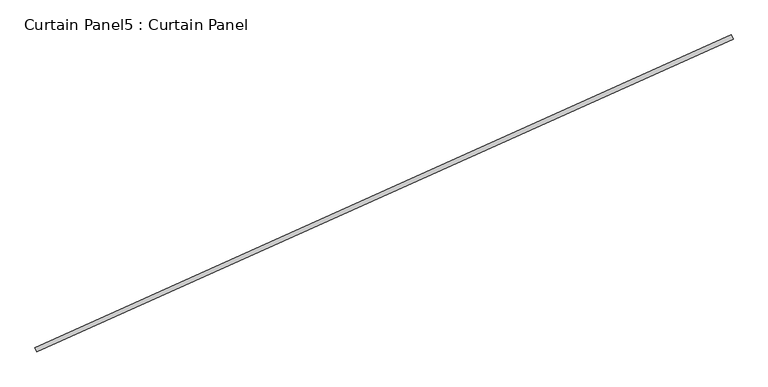
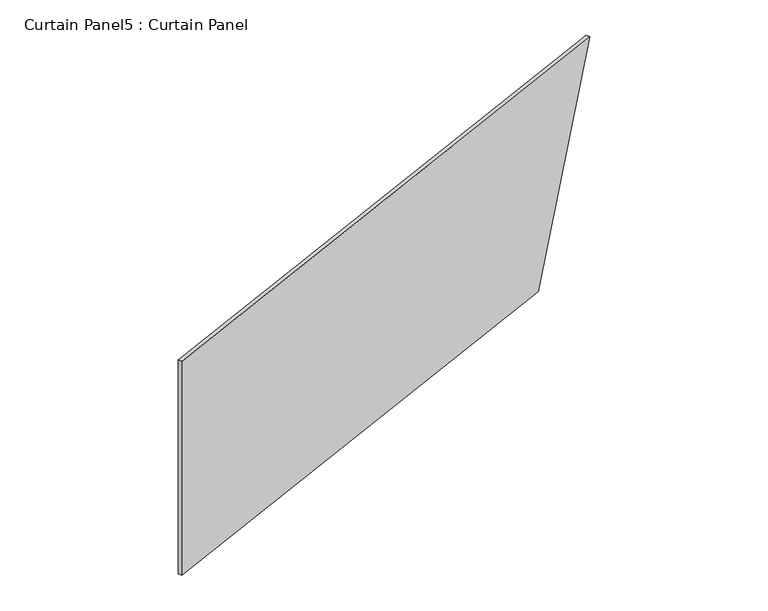
"""IFC4 building model written with IfcOpenShell, lengths in millimetres: plate geometry, Curtain Panel5 : Curtain Panel."""

from ifc_helpers import new_model, si_unit, frame, origin, place, context, project, spatial, polyline, outline, extrude, source, transform, mapped, element, save


def curtain_panel5_curtain_panel_d82bdedd(model_context):
    return source(origin(), model_context, "Body", "SweptSolid", [
        extrude(outline(polyline([(0.0, 0.0), (0.0, -3558.974257), (-1524.0, -4073.4369313), (-1524.0, 0.0), (0.0, 0.0)])), frame((36557.5770857, -12836.3437505, 8534.4), z_axis=(-0.41023197127835825, 0.9119812112873117, 0.0), x_axis=(0.0, 0.0, -1.0)), (0.0, 0.0, 1.0), 25.4),
    ])


if __name__ == "__main__":
    model = new_model("IFC4")
    model_context = context("Model", 3, world=origin())
    ifc_project = project(units=[si_unit("LENGTHUNIT", "METRE", prefix="MILLI")], contexts=[model_context])
    site = spatial("IfcSite", under=ifc_project)
    building = spatial("IfcBuilding", under=site)
    placement = place(None, origin())
    curtain_panel5_curtain_panel_shape = curtain_panel5_curtain_panel_d82bdedd(model_context)
    element("IfcPlate", 1, ObjectType="Curtain Panel5 : Curtain Panel", at=placement, inside=building, context=model_context, shape_type="MappedRepresentation", body=[
        mapped(curtain_panel5_curtain_panel_shape, transform((0.0, 0.0, 0.0), x_axis=(1.0, 0.0, 0.0), y_axis=(0.0, 1.0, 0.0), z_axis=(0.0, 0.0, 1.0))),
    ])
    save(model, "model.ifc")
